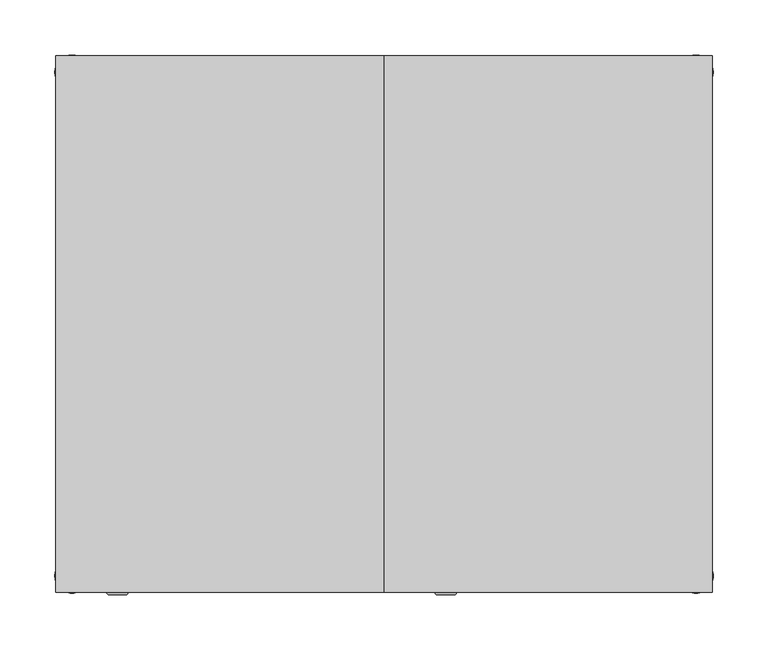
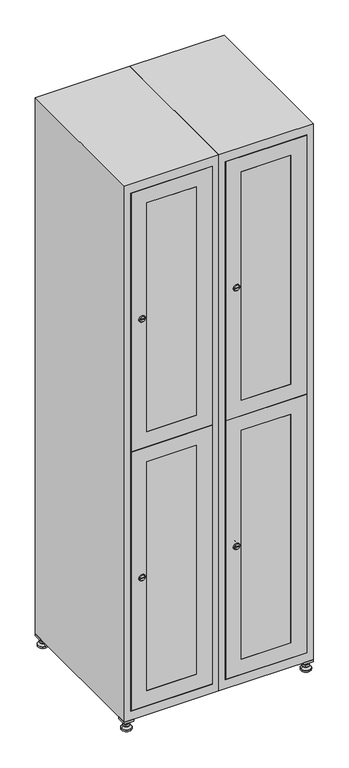
"""IFC4 building model written with IfcOpenShell, lengths in millimetres: furniture geometry."""

from ifc_helpers import new_model, si_unit, point, frame, frame_2d, origin, origin_with_axes, place, context, project, spatial, polyline, circle_curve, trimmed, segment, composite_curve, outline, extrude, faceted_brep, source, transform, mapped, element, save
from ifc_brep_helpers import plane_surface, revolved_surface, advanced_brep


def furniture_dc1e7973(model_context):
    return source(origin(), model_context, "Body", "SolidModel", [
        extrude(outline(polyline([(400.0, 245.0), (400.0, 215.0), (370.0, 215.0), (370.0, 245.0), (400.0, 245.0)]), holes=[polyline([(398.0, 243.0), (372.0, 243.0), (372.0, 217.0), (398.0, 217.0), (398.0, 243.0)])]), frame((0.0, 0.0, 28.5), z_axis=(0.0, 0.0, 1.0), x_axis=(1.0, 0.0, 0.0)), (0.0, 0.0, 1.0), 6.5),
        extrude(outline(polyline([(370.0, -245.0), (370.0, -215.0), (400.0, -215.0), (400.0, -245.0), (370.0, -245.0)]), holes=[polyline([(372.0, -243.0), (398.0, -243.0), (398.0, -217.0), (372.0, -217.0), (372.0, -243.0)])]), frame((0.0, 0.0, 28.5), z_axis=(0.0, 0.0, 1.0), x_axis=(1.0, 0.0, 0.0)), (0.0, 0.0, 1.0), 6.5),
        extrude(outline(polyline([(-170.0, 245.0), (-170.0, 215.0), (-200.0, 215.0), (-200.0, 245.0), (-170.0, 245.0)]), holes=[polyline([(-172.0, 243.0), (-198.0, 243.0), (-198.0, 217.0), (-172.0, 217.0), (-172.0, 243.0)])]), frame((0.0, 0.0, 28.5), z_axis=(0.0, 0.0, 1.0), x_axis=(1.0, 0.0, 0.0)), (0.0, 0.0, 1.0), 6.5),
        extrude(outline(polyline([(-170.0, -215.0), (-170.0, -245.0), (-200.0, -245.0), (-200.0, -215.0), (-170.0, -215.0)]), holes=[polyline([(-198.0, -243.0), (-172.0, -243.0), (-172.0, -217.0), (-198.0, -217.0), (-198.0, -243.0)])]), frame((0.0, 0.0, 28.5), z_axis=(0.0, 0.0, 1.0), x_axis=(1.0, 0.0, 0.0)), (0.0, 0.0, 1.0), 6.5),
        extrude(outline(composite_curve([segment(trimmed(circle_curve(frame_2d((-185.0, 230.0)), 5.0), [point((-180.0, 230.0))], [point((-190.0, 230.0))], False, "CARTESIAN"), True, "CONTINUOUS"), segment(trimmed(circle_curve(frame_2d((-185.0, 230.0)), 5.0), [point((-190.0, 230.0))], [point((-180.0, 230.0))], False, "CARTESIAN"), True, "CONTINUOUS")], self_intersect=False)), frame((0.0, 0.0, 19.6), z_axis=(0.0, 0.0, 1.0), x_axis=(1.0, 0.0, 0.0)), (0.0, 0.0, 1.0), 15.4),
        extrude(outline(composite_curve([segment(trimmed(circle_curve(frame_2d((-185.0, -230.0)), 5.0), [point((-180.0, -230.0))], [point((-190.0, -230.0))], False, "CARTESIAN"), True, "CONTINUOUS"), segment(trimmed(circle_curve(frame_2d((-185.0, -230.0)), 5.0), [point((-190.0, -230.0))], [point((-180.0, -230.0))], False, "CARTESIAN"), True, "CONTINUOUS")], self_intersect=False)), frame((0.0, 0.0, 19.6), z_axis=(0.0, 0.0, 1.0), x_axis=(1.0, 0.0, 0.0)), (0.0, 0.0, 1.0), 15.4),
        extrude(outline(composite_curve([segment(trimmed(circle_curve(frame_2d((385.0, 230.0)), 5.0), [point((390.0, 230.0))], [point((380.0, 230.0))], False, "CARTESIAN"), True, "CONTINUOUS"), segment(trimmed(circle_curve(frame_2d((385.0, 230.0)), 5.0), [point((380.0, 230.0))], [point((390.0, 230.0))], False, "CARTESIAN"), True, "CONTINUOUS")], self_intersect=False)), frame((0.0, 0.0, 19.6), z_axis=(0.0, 0.0, 1.0), x_axis=(1.0, 0.0, 0.0)), (0.0, 0.0, 1.0), 15.4),
        extrude(outline(polyline([(373.4529946, 230.0), (379.2264973, 240.0), (390.7735027, 240.0), (396.5470054, 230.0), (390.7735027, 220.0), (379.2264973, 220.0), (373.4529946, 230.0)])), frame((0.0, 0.0, 13.6), z_axis=(0.0, 0.0, 1.0), x_axis=(1.0, 0.0, 0.0)), (0.0, 0.0, 1.0), 6.0),
        extrude(outline(composite_curve([segment(trimmed(circle_curve(frame_2d((385.0, -230.0)), 5.0), [point((390.0, -230.0))], [point((380.0, -230.0))], False, "CARTESIAN"), True, "CONTINUOUS"), segment(trimmed(circle_curve(frame_2d((385.0, -230.0)), 5.0), [point((380.0, -230.0))], [point((390.0, -230.0))], False, "CARTESIAN"), True, "CONTINUOUS")], self_intersect=False)), frame((0.0, 0.0, 19.6), z_axis=(0.0, 0.0, 1.0), x_axis=(1.0, 0.0, 0.0)), (0.0, 0.0, 1.0), 15.4),
        extrude(outline(polyline([(373.4529946, -230.0), (379.2264973, -220.0), (390.7735027, -220.0), (396.5470054, -230.0), (390.7735027, -240.0), (379.2264973, -240.0), (373.4529946, -230.0)])), frame((0.0, 0.0, 13.6), z_axis=(0.0, 0.0, 1.0), x_axis=(1.0, 0.0, 0.0)), (0.0, 0.0, 1.0), 6.0),
        extrude(outline(composite_curve([segment(trimmed(circle_curve(frame_2d((385.0, 230.0)), 5.0), [point((390.0, 230.0))], [point((380.0, 230.0))], False, "CARTESIAN"), True, "CONTINUOUS"), segment(trimmed(circle_curve(frame_2d((385.0, 230.0)), 5.0), [point((380.0, 230.0))], [point((390.0, 230.0))], False, "CARTESIAN"), True, "CONTINUOUS")], self_intersect=False)), frame((0.0, 0.0, 12.1), z_axis=(0.0, 0.0, 1.0), x_axis=(1.0, 0.0, 0.0)), (0.0, 0.0, 1.0), 1.5),
        extrude(outline(composite_curve([segment(trimmed(circle_curve(frame_2d((385.0, -230.0)), 5.0), [point((390.0, -230.0))], [point((380.0, -230.0))], False, "CARTESIAN"), True, "CONTINUOUS"), segment(trimmed(circle_curve(frame_2d((385.0, -230.0)), 5.0), [point((380.0, -230.0))], [point((390.0, -230.0))], False, "CARTESIAN"), True, "CONTINUOUS")], self_intersect=False)), frame((0.0, 0.0, 12.1), z_axis=(0.0, 0.0, 1.0), x_axis=(1.0, 0.0, 0.0)), (0.0, 0.0, 1.0), 1.5),
        extrude(outline(polyline([(-196.5470054, 230.0), (-190.7735027, 240.0), (-179.2264973, 240.0), (-173.4529946, 230.0), (-179.2264973, 220.0), (-190.7735027, 220.0), (-196.5470054, 230.0)])), frame((0.0, 0.0, 13.6), z_axis=(0.0, 0.0, 1.0), x_axis=(1.0, 0.0, 0.0)), (0.0, 0.0, 1.0), 6.0),
        extrude(outline(polyline([(-196.5470054, -230.0), (-190.7735027, -220.0), (-179.2264973, -220.0), (-173.4529946, -230.0), (-179.2264973, -240.0), (-190.7735027, -240.0), (-196.5470054, -230.0)])), frame((0.0, 0.0, 13.6), z_axis=(0.0, 0.0, 1.0), x_axis=(1.0, 0.0, 0.0)), (0.0, 0.0, 1.0), 6.0),
        extrude(outline(composite_curve([segment(trimmed(circle_curve(frame_2d((-185.0, 230.0)), 5.0), [point((-185.0, 235.0))], [point((-185.0, 225.0))], False, "CARTESIAN"), True, "CONTINUOUS"), segment(trimmed(circle_curve(frame_2d((-185.0, 230.0)), 5.0), [point((-185.0, 225.0))], [point((-185.0, 235.0))], False, "CARTESIAN"), True, "CONTINUOUS")], self_intersect=False)), frame((0.0, 0.0, 12.1), z_axis=(0.0, 0.0, 1.0), x_axis=(1.0, 0.0, 0.0)), (0.0, 0.0, 1.0), 1.5),
        extrude(outline(composite_curve([segment(trimmed(circle_curve(frame_2d((-185.0, -230.0)), 5.0), [point((-180.0, -230.0))], [point((-190.0, -230.0))], False, "CARTESIAN"), True, "CONTINUOUS"), segment(trimmed(circle_curve(frame_2d((-185.0, -230.0)), 5.0), [point((-190.0, -230.0))], [point((-180.0, -230.0))], False, "CARTESIAN"), True, "CONTINUOUS")], self_intersect=False)), frame((0.0, 0.0, 12.1), z_axis=(0.0, 0.0, 1.0), x_axis=(1.0, 0.0, 0.0)), (0.0, 0.0, 1.0), 1.5),
        extrude(outline(composite_curve([segment(trimmed(circle_curve(frame_2d((385.0, 230.0)), 15.75), [point((400.75, 230.0))], [point((369.25, 230.0))], False, "CARTESIAN"), True, "CONTINUOUS"), segment(trimmed(circle_curve(frame_2d((385.0, 230.0)), 15.75), [point((369.25, 230.0))], [point((400.75, 230.0))], False, "CARTESIAN"), True, "CONTINUOUS")], self_intersect=False)), origin_with_axes(), (0.0, 0.0, 1.0), 5.1),
        extrude(outline(composite_curve([segment(trimmed(circle_curve(frame_2d((385.0, -230.0)), 15.75), [point((385.0, -214.25))], [point((385.0, -245.75))], False, "CARTESIAN"), True, "CONTINUOUS"), segment(trimmed(circle_curve(frame_2d((385.0, -230.0)), 15.75), [point((385.0, -245.75))], [point((385.0, -214.25))], False, "CARTESIAN"), True, "CONTINUOUS")], self_intersect=False)), origin_with_axes(), (0.0, 0.0, 1.0), 5.1),
        extrude(outline(composite_curve([segment(trimmed(circle_curve(frame_2d((-185.0, -230.0)), 15.75), [point((-169.25, -230.0))], [point((-200.75, -230.0))], False, "CARTESIAN"), True, "CONTINUOUS"), segment(trimmed(circle_curve(frame_2d((-185.0, -230.0)), 15.75), [point((-200.75, -230.0))], [point((-169.25, -230.0))], False, "CARTESIAN"), True, "CONTINUOUS")], self_intersect=False)), origin_with_axes(), (0.0, 0.0, 1.0), 5.1),
        extrude(outline(composite_curve([segment(trimmed(circle_curve(frame_2d((-185.0, 230.0)), 15.75), [point((-169.25, 230.0))], [point((-200.75, 230.0))], False, "CARTESIAN"), True, "CONTINUOUS"), segment(trimmed(circle_curve(frame_2d((-185.0, 230.0)), 15.75), [point((-200.75, 230.0))], [point((-169.25, 230.0))], False, "CARTESIAN"), True, "CONTINUOUS")], self_intersect=False)), origin_with_axes(), (0.0, 0.0, 1.0), 5.1),
        advanced_brep(
        [(-185.0, 245.75, 5.1), (-185.0, 214.25, 5.1), (-185.0, 239.5, 12.1), (-185.0, 220.5, 12.1)],
        [
            (0, 1, circle_curve(frame((-185.0, 230.0, 5.1), z_axis=(0.0, 0.0, -1.0), x_axis=(0.0, 1.0, 0.0)), 15.75)),
            (1, 0, circle_curve(frame((-185.0, 230.0, 5.1), z_axis=(0.0, 0.0, -1.0), x_axis=(0.0, -1.0, 0.0)), 15.75)),
            (2, 3, circle_curve(frame((-185.0, 230.0, 12.1), z_axis=(0.0, 0.0, 1.0), x_axis=(0.0, -1.0, 0.0)), 9.5)),
            (3, 2, circle_curve(frame((-185.0, 230.0, 12.1), z_axis=(0.0, 0.0, 1.0), x_axis=(0.0, 1.0, 0.0)), 9.5)),
            (3, 1),
            (0, 2),
        ],
        [
            plane_surface(frame((-185.0, 230.0, 5.1), z_axis=(0.0, 0.0, -1.0), x_axis=(1.0, 0.0, 0.0))),
            plane_surface(frame((-185.0, 230.0, 12.1), z_axis=(0.0, 0.0, 1.0), x_axis=(1.0, 0.0, 0.0))),
            revolved_surface(polyline([(-185.0, 220.5, 12.099999999999998), (-185.0, 214.25, 5.099999999999998)]), (-185.0, 230.0, 22.74), (0.0, 0.0, -1.0)),
            revolved_surface(polyline([(-185.0, 239.5, 12.099999999999998), (-185.0, 245.75, 5.099999999999998)]), (-185.0, 230.0, 22.74), (0.0, 0.0, -1.0)),
        ],
        [
            (0, [[1, 2]]),
            (1, [[3, 4]]),
            (2, [[-4, 5, -1, 6]]),
            (3, [[-3, -6, -2, -5]]),
        ],
    ),
        advanced_brep(
        [(385.0, 245.75, 5.1), (385.0, 214.25, 5.1), (385.0, 239.5, 12.1), (385.0, 220.5, 12.1)],
        [
            (0, 1, circle_curve(frame((385.0, 230.0, 5.1), z_axis=(0.0, 0.0, -1.0), x_axis=(0.0, 1.0, 0.0)), 15.75)),
            (1, 0, circle_curve(frame((385.0, 230.0, 5.1), z_axis=(0.0, 0.0, -1.0), x_axis=(0.0, -1.0, 0.0)), 15.75)),
            (2, 3, circle_curve(frame((385.0, 230.0, 12.1), z_axis=(0.0, 0.0, 1.0), x_axis=(0.0, -1.0, 0.0)), 9.5)),
            (3, 2, circle_curve(frame((385.0, 230.0, 12.1), z_axis=(0.0, 0.0, 1.0), x_axis=(0.0, 1.0, 0.0)), 9.5)),
            (3, 1),
            (0, 2),
        ],
        [
            plane_surface(frame((385.0, 230.0, 5.1), z_axis=(0.0, 0.0, -1.0), x_axis=(1.0, 0.0, 0.0))),
            plane_surface(frame((385.0, 230.0, 12.1), z_axis=(0.0, 0.0, 1.0), x_axis=(1.0, 0.0, 0.0))),
            revolved_surface(polyline([(385.0, 220.5, 12.099999999999998), (385.0, 214.25, 5.099999999999998)]), (385.0, 230.0, 22.74), (0.0, 0.0, -1.0)),
            revolved_surface(polyline([(385.0, 239.5, 12.099999999999998), (385.0, 245.75, 5.099999999999998)]), (385.0, 230.0, 22.74), (0.0, 0.0, -1.0)),
        ],
        [
            (0, [[1, 2]]),
            (1, [[3, 4]]),
            (2, [[-4, 5, -1, 6]]),
            (3, [[-3, -6, -2, -5]]),
        ],
    ),
        advanced_brep(
        [(394.5, -230.0, 12.1), (375.5, -230.0, 12.1), (400.75, -230.0, 5.1), (369.25, -230.0, 5.1)],
        [
            (0, 1, circle_curve(frame((385.0, -230.0, 12.1), z_axis=(0.0, 0.0, 1.0), x_axis=(1.0, 0.0, 0.0)), 9.5)),
            (1, 0, circle_curve(frame((385.0, -230.0, 12.1), z_axis=(0.0, 0.0, 1.0), x_axis=(-1.0, 0.0, 0.0)), 9.5)),
            (2, 3, circle_curve(frame((385.0, -230.0, 5.1), z_axis=(0.0, 0.0, -1.0), x_axis=(-1.0, 0.0, 0.0)), 15.75)),
            (3, 2, circle_curve(frame((385.0, -230.0, 5.1), z_axis=(0.0, 0.0, -1.0), x_axis=(1.0, 0.0, 0.0)), 15.75)),
            (3, 1),
            (0, 2),
        ],
        [
            plane_surface(frame((385.0, -230.0, 12.1), z_axis=(0.0, 0.0, 1.0), x_axis=(0.0, 1.0, 0.0))),
            plane_surface(frame((385.0, -230.0, 5.1), z_axis=(0.0, 0.0, -1.0), x_axis=(0.0, 1.0, 0.0))),
            revolved_surface(polyline([(394.5, -230.0, 12.099999999999998), (400.75, -230.0, 5.099999999999998)]), (385.0, -230.0, 22.74), (0.0, 0.0, -1.0)),
            revolved_surface(polyline([(375.5, -230.0, 12.099999999999998), (369.25, -230.0, 5.099999999999998)]), (385.0, -230.0, 22.74), (0.0, 0.0, -1.0)),
        ],
        [
            (0, [[1, 2]]),
            (1, [[3, 4]]),
            (2, [[-4, 5, -1, 6]]),
            (3, [[-3, -6, -2, -5]]),
        ],
    ),
        advanced_brep(
        [(-175.5, -230.0, 12.1), (-194.5, -230.0, 12.1), (-169.25, -230.0, 5.1), (-200.75, -230.0, 5.1)],
        [
            (0, 1, circle_curve(frame((-185.0, -230.0, 12.1), z_axis=(0.0, 0.0, 1.0), x_axis=(1.0, 0.0, 0.0)), 9.5)),
            (1, 0, circle_curve(frame((-185.0, -230.0, 12.1), z_axis=(0.0, 0.0, 1.0), x_axis=(-1.0, 0.0, 0.0)), 9.5)),
            (2, 3, circle_curve(frame((-185.0, -230.0, 5.1), z_axis=(0.0, 0.0, -1.0), x_axis=(-1.0, 0.0, 0.0)), 15.75)),
            (3, 2, circle_curve(frame((-185.0, -230.0, 5.1), z_axis=(0.0, 0.0, -1.0), x_axis=(1.0, 0.0, 0.0)), 15.75)),
            (3, 1),
            (0, 2),
        ],
        [
            plane_surface(frame((-185.0, -230.0, 12.1), z_axis=(0.0, 0.0, 1.0), x_axis=(0.0, 1.0, 0.0))),
            plane_surface(frame((-185.0, -230.0, 5.1), z_axis=(0.0, 0.0, -1.0), x_axis=(0.0, 1.0, 0.0))),
            revolved_surface(polyline([(-175.5, -230.0, 12.099999999999998), (-169.25, -230.0, 5.099999999999998)]), (-185.0, -230.0, 22.74), (0.0, 0.0, -1.0)),
            revolved_surface(polyline([(-194.5, -230.0, 12.099999999999998), (-200.75, -230.0, 5.099999999999998)]), (-185.0, -230.0, 22.74), (0.0, 0.0, -1.0)),
        ],
        [
            (0, [[1, 2]]),
            (1, [[3, 4]]),
            (2, [[-4, 5, -1, 6]]),
            (3, [[-3, -6, -2, -5]]),
        ],
    ),
        extrude(outline(composite_curve([segment(trimmed(circle_curve(frame_2d((1369.4, 129.6010534)), 7.0), [point((1376.4, 129.6010534))], [point((1362.4, 129.6010534))], False, "CARTESIAN"), True, "CONTINUOUS"), segment(polyline([(1362.4, 129.6010534), (1362.4, 157.6010534)]), True, "CONTINUOUS"), segment(trimmed(circle_curve(frame_2d((1369.4, 157.6010534)), 7.0), [point((1362.4, 157.6010534))], [point((1376.4, 157.6010534))], False, "CARTESIAN"), True, "CONTINUOUS"), segment(polyline([(1376.4, 157.6010534), (1376.4, 129.6010534)]), True, "CONTINUOUS")], self_intersect=False)), frame((0.0, -227.0, 0.0), z_axis=(0.0, 1.0, 0.0), x_axis=(0.0, 0.0, 1.0)), (0.0, 0.0, 1.0), 2.0),
        advanced_brep(
        [(164.9, -247.2, 1369.4), (147.9, -247.2, 1369.4), (151.4, -247.2, 1368.15), (151.4, -247.2, 1370.65), (161.4, -247.2, 1370.65), (161.4, -247.2, 1368.15), (166.9, -245.0, 1369.4), (145.9, -245.0, 1369.4), (151.4, -245.0, 1370.65), (151.4, -245.0, 1368.15), (161.4, -245.0, 1368.15), (161.4, -245.0, 1370.65)],
        [
            (0, 1, circle_curve(frame((156.4, -247.2, 1369.4), z_axis=(0.0, -1.0, 0.0), x_axis=(1.0, 0.0, 0.0)), 8.5)),
            (1, 0, circle_curve(frame((156.4, -247.2, 1369.4), z_axis=(0.0, -1.0, 0.0), x_axis=(-1.0, 0.0, 0.0)), 8.5)),
            (2, 3),
            (3, 4),
            (4, 5),
            (5, 2),
            (6, 7, circle_curve(frame((156.4, -245.0, 1369.4), z_axis=(0.0, 1.0, 0.0), x_axis=(-1.0, 0.0, 0.0)), 10.5)),
            (7, 6, circle_curve(frame((156.4, -245.0, 1369.4), z_axis=(0.0, 1.0, 0.0), x_axis=(1.0, 0.0, 0.0)), 10.5)),
            (8, 9),
            (9, 10),
            (10, 11),
            (11, 8),
            (0, 6),
            (7, 1),
            (8, 3),
            (2, 9),
            (11, 4),
            (10, 5),
        ],
        [
            plane_surface(frame((156.4, -247.2, 1369.4), z_axis=(0.0, -1.0, 0.0), x_axis=(0.0, 0.0, 1.0))),
            plane_surface(frame((156.4, -245.0, 1369.4), z_axis=(0.0, 1.0, 0.0), x_axis=(0.0, 0.0, 1.0))),
            revolved_surface(polyline([(164.9, -247.2, 1369.4), (166.9, -245.0, 1369.4)]), (156.4, -256.55, 1369.4), (0.0, 1.0, 0.0)),
            revolved_surface(polyline([(147.9, -247.2, 1369.4), (145.9, -245.0, 1369.4)]), (156.4, -256.55, 1369.4), (0.0, 1.0, 0.0)),
            plane_surface(frame((151.4, -245.0, 1368.15), z_axis=(1.0, 0.0, 0.0), x_axis=(0.0, -1.0, 0.0))),
            plane_surface(frame((151.4, -245.0, 1370.65), z_axis=(0.0, 0.0, -1.0), x_axis=(0.0, -1.0, 0.0))),
            plane_surface(frame((161.4, -245.0, 1370.65), z_axis=(-1.0, 0.0, 0.0), x_axis=(0.0, -1.0, 0.0))),
            plane_surface(frame((161.4, -245.0, 1368.15), z_axis=(0.0, 0.0, 1.0), x_axis=(0.0, -1.0, 0.0))),
        ],
        [
            (0, [[1, 2], [3, 4, 5, 6]]),
            (1, [[7, 8], [9, 10, 11, 12]]),
            (2, [[-1, 13, -8, 14]]),
            (3, [[-2, -14, -7, -13]]),
            (4, [[15, -3, 16, -9]]),
            (5, [[-15, -12, 17, -4]]),
            (6, [[-17, -11, 18, -5]]),
            (7, [[-16, -6, -18, -10]]),
        ],
    ),
        extrude(outline(composite_curve([segment(trimmed(circle_curve(frame_2d((500.6, 129.6010534)), 7.0), [point((507.6, 129.6010534))], [point((493.6, 129.6010534))], False, "CARTESIAN"), True, "CONTINUOUS"), segment(polyline([(493.6, 129.6010534), (493.6, 157.6010534)]), True, "CONTINUOUS"), segment(trimmed(circle_curve(frame_2d((500.6, 157.6010534)), 7.0), [point((493.6, 157.6010534))], [point((507.6, 157.6010534))], False, "CARTESIAN"), True, "CONTINUOUS"), segment(polyline([(507.6, 157.6010534), (507.6, 129.6010534)]), True, "CONTINUOUS")], self_intersect=False)), frame((0.0, -227.0, 0.0), z_axis=(0.0, 1.0, 0.0), x_axis=(0.0, 0.0, 1.0)), (0.0, 0.0, 1.0), 2.0),
        advanced_brep(
        [(164.9, -247.2, 500.6), (147.9, -247.2, 500.6), (151.4, -247.2, 499.35), (151.4, -247.2, 501.85), (161.4, -247.2, 501.85), (161.4, -247.2, 499.35), (166.9, -245.0, 500.6), (145.9, -245.0, 500.6), (151.4, -245.0, 501.85), (151.4, -245.0, 499.35), (161.4, -245.0, 499.35), (161.4, -245.0, 501.85)],
        [
            (0, 1, circle_curve(frame((156.4, -247.2, 500.6), z_axis=(0.0, -1.0, 0.0), x_axis=(1.0, 0.0, 0.0)), 8.5)),
            (1, 0, circle_curve(frame((156.4, -247.2, 500.6), z_axis=(0.0, -1.0, 0.0), x_axis=(-1.0, 0.0, 0.0)), 8.5)),
            (2, 3),
            (3, 4),
            (4, 5),
            (5, 2),
            (6, 7, circle_curve(frame((156.4, -245.0, 500.6), z_axis=(0.0, 1.0, 0.0), x_axis=(-1.0, 0.0, 0.0)), 10.5)),
            (7, 6, circle_curve(frame((156.4, -245.0, 500.6), z_axis=(0.0, 1.0, 0.0), x_axis=(1.0, 0.0, 0.0)), 10.5)),
            (8, 9),
            (9, 10),
            (10, 11),
            (11, 8),
            (0, 6),
            (7, 1),
            (8, 3),
            (2, 9),
            (11, 4),
            (10, 5),
        ],
        [
            plane_surface(frame((156.4, -247.2, 500.6), z_axis=(0.0, -1.0, 0.0), x_axis=(0.0, 0.0, 1.0))),
            plane_surface(frame((156.4, -245.0, 500.6), z_axis=(0.0, 1.0, 0.0), x_axis=(0.0, 0.0, 1.0))),
            revolved_surface(polyline([(164.9, -247.2, 500.6), (166.9, -245.0, 500.6)]), (156.4, -256.55, 500.6), (0.0, 1.0, 0.0)),
            revolved_surface(polyline([(147.9, -247.2, 500.6), (145.9, -245.0, 500.6)]), (156.4, -256.55, 500.6), (0.0, 1.0, 0.0)),
            plane_surface(frame((151.4, -245.0, 499.35), z_axis=(1.0, 0.0, 0.0), x_axis=(0.0, -1.0, 0.0))),
            plane_surface(frame((151.4, -245.0, 501.85), z_axis=(0.0, 0.0, -1.0), x_axis=(0.0, -1.0, 0.0))),
            plane_surface(frame((161.4, -245.0, 501.85), z_axis=(-1.0, 0.0, 0.0), x_axis=(0.0, -1.0, 0.0))),
            plane_surface(frame((161.4, -245.0, 499.35), z_axis=(0.0, 0.0, 1.0), x_axis=(0.0, -1.0, 0.0))),
        ],
        [
            (0, [[1, 2], [3, 4, 5, 6]]),
            (1, [[7, 8], [9, 10, 11, 12]]),
            (2, [[-1, 13, -8, 14]]),
            (3, [[-2, -14, -7, -13]]),
            (4, [[15, -3, 16, -9]]),
            (5, [[-15, -12, 17, -4]]),
            (6, [[-17, -11, 18, -5]]),
            (7, [[-16, -6, -18, -10]]),
        ],
    ),
        extrude(outline(polyline([(935.5, 378.6), (1803.8, 378.6), (1803.8, 121.4), (935.5, 121.4), (935.5, 378.6)]), holes=[polyline([(1753.8, 171.4), (1753.8, 328.6), (985.5, 328.6), (985.5, 171.4), (1753.8, 171.4)])]), frame((0.0, -245.0, 0.0), z_axis=(0.0, 1.0, 0.0), x_axis=(0.0, 0.0, 1.0)), (0.0, 0.0, 1.0), 18.0),
        extrude(outline(polyline([(934.5, 121.4), (66.2, 121.4), (66.2, 378.6), (934.5, 378.6), (934.5, 121.4)]), holes=[polyline([(116.2, 171.4), (884.5, 171.4), (884.5, 328.6), (116.2, 328.6), (116.2, 171.4)])]), frame((0.0, -245.0, 0.0), z_axis=(0.0, 1.0, 0.0), x_axis=(0.0, 0.0, 1.0)), (0.0, 0.0, 1.0), 18.0),
        extrude(outline(polyline([(328.6, -245.0), (171.4, -245.0), (171.4, -227.0), (328.6, -227.0), (328.6, -245.0)])), frame((0.0, 0.0, 985.5), z_axis=(0.0, 0.0, 1.0), x_axis=(1.0, 0.0, 0.0)), (0.0, 0.0, 1.0), 768.3),
        extrude(outline(polyline([(328.6, -245.0), (171.4, -245.0), (171.4, -227.0), (328.6, -227.0), (328.6, -245.0)])), frame((0.0, 0.0, 116.2), z_axis=(0.0, 0.0, 1.0), x_axis=(1.0, 0.0, 0.0)), (0.0, 0.0, 1.0), 768.3),
        extrude(outline(polyline([(379.6, 242.0), (379.6, -227.0), (120.4, -227.0), (120.4, 242.0), (379.6, 242.0)])), frame((0.0, 0.0, 924.8), z_axis=(0.0, 0.0, 1.0), x_axis=(1.0, 0.0, 0.0)), (0.0, 0.0, 1.0), 20.4),
        faceted_brep([(400.0, -245.0, 35.0), (400.0, -245.0, 1835.0), (100.0, -245.0, 1835.0), (100.0, -245.0, 35.0), (379.6, -245.0, 1804.8), (379.6, -245.0, 65.2), (120.4, -245.0, 65.2), (120.4, -245.0, 1804.8), (400.0, 245.0, 35.0), (100.0, 245.0, 35.0), (400.0, 245.0, 1835.0), (100.0, 245.0, 1835.0), (379.6, 242.0, 1804.8), (379.6, 242.0, 65.2), (100.0, 245.0, 1804.8), (120.4, 242.0, 1804.8), (120.4, 242.0, 65.2)], [[[0, 1, 2, 3], [4, 5, 6, 7]], [[8, 0, 3, 9]], [[1, 0, 8, 10]], [[1, 10, 11, 2]], [[4, 12, 13, 5]], [[9, 3, 2, 11, 14]], [[10, 8, 9, 14, 11]], [[12, 15, 16, 13]], [[15, 7, 6, 16]], [[4, 7, 15, 12]], [[6, 5, 13, 16]]]),
        extrude(outline(composite_curve([segment(trimmed(circle_curve(frame_2d((1369.4, -170.3989466)), 7.0), [point((1376.4, -170.3989466))], [point((1362.4, -170.3989466))], False, "CARTESIAN"), True, "CONTINUOUS"), segment(polyline([(1362.4, -170.3989466), (1362.4, -142.3989466)]), True, "CONTINUOUS"), segment(trimmed(circle_curve(frame_2d((1369.4, -142.3989466)), 7.0), [point((1362.4, -142.3989466))], [point((1376.4, -142.3989466))], False, "CARTESIAN"), True, "CONTINUOUS"), segment(polyline([(1376.4, -142.3989466), (1376.4, -170.3989466)]), True, "CONTINUOUS")], self_intersect=False)), frame((0.0, -227.0, 0.0), z_axis=(0.0, 1.0, 0.0), x_axis=(0.0, 0.0, 1.0)), (0.0, 0.0, 1.0), 2.0),
        advanced_brep(
        [(-135.1, -247.2, 1369.4), (-152.1, -247.2, 1369.4), (-148.6, -247.2, 1368.15), (-148.6, -247.2, 1370.65), (-138.6, -247.2, 1370.65), (-138.6, -247.2, 1368.15), (-133.1, -245.0, 1369.4), (-154.1, -245.0, 1369.4), (-148.6, -245.0, 1370.65), (-148.6, -245.0, 1368.15), (-138.6, -245.0, 1368.15), (-138.6, -245.0, 1370.65)],
        [
            (0, 1, circle_curve(frame((-143.6, -247.2, 1369.4), z_axis=(0.0, -1.0, 0.0), x_axis=(1.0, 0.0, 0.0)), 8.5)),
            (1, 0, circle_curve(frame((-143.6, -247.2, 1369.4), z_axis=(0.0, -1.0, 0.0), x_axis=(-1.0, 0.0, 0.0)), 8.5)),
            (2, 3),
            (3, 4),
            (4, 5),
            (5, 2),
            (6, 7, circle_curve(frame((-143.6, -245.0, 1369.4), z_axis=(0.0, 1.0, 0.0), x_axis=(-1.0, 0.0, 0.0)), 10.5)),
            (7, 6, circle_curve(frame((-143.6, -245.0, 1369.4), z_axis=(0.0, 1.0, 0.0), x_axis=(1.0, 0.0, 0.0)), 10.5)),
            (8, 9),
            (9, 10),
            (10, 11),
            (11, 8),
            (0, 6),
            (7, 1),
            (8, 3),
            (2, 9),
            (11, 4),
            (10, 5),
        ],
        [
            plane_surface(frame((-143.6, -247.2, 1369.4), z_axis=(0.0, -1.0, 0.0), x_axis=(0.0, 0.0, 1.0))),
            plane_surface(frame((-143.6, -245.0, 1369.4), z_axis=(0.0, 1.0, 0.0), x_axis=(0.0, 0.0, 1.0))),
            revolved_surface(polyline([(-135.1, -247.2, 1369.4), (-133.1, -245.0, 1369.4)]), (-143.6, -256.55, 1369.4), (0.0, 1.0, 0.0)),
            revolved_surface(polyline([(-152.1, -247.2, 1369.4), (-154.1, -245.0, 1369.4)]), (-143.6, -256.55, 1369.4), (0.0, 1.0, 0.0)),
            plane_surface(frame((-148.6, -245.0, 1368.15), z_axis=(1.0, 0.0, 0.0), x_axis=(0.0, -1.0, 0.0))),
            plane_surface(frame((-148.6, -245.0, 1370.65), z_axis=(0.0, 0.0, -1.0), x_axis=(0.0, -1.0, 0.0))),
            plane_surface(frame((-138.6, -245.0, 1370.65), z_axis=(-1.0, 0.0, 0.0), x_axis=(0.0, -1.0, 0.0))),
            plane_surface(frame((-138.6, -245.0, 1368.15), z_axis=(0.0, 0.0, 1.0), x_axis=(0.0, -1.0, 0.0))),
        ],
        [
            (0, [[1, 2], [3, 4, 5, 6]]),
            (1, [[7, 8], [9, 10, 11, 12]]),
            (2, [[-1, 13, -8, 14]]),
            (3, [[-2, -14, -7, -13]]),
            (4, [[15, -3, 16, -9]]),
            (5, [[-15, -12, 17, -4]]),
            (6, [[-17, -11, 18, -5]]),
            (7, [[-16, -6, -18, -10]]),
        ],
    ),
        extrude(outline(composite_curve([segment(trimmed(circle_curve(frame_2d((500.6, -170.3989466)), 7.0), [point((507.6, -170.3989466))], [point((493.6, -170.3989466))], False, "CARTESIAN"), True, "CONTINUOUS"), segment(polyline([(493.6, -170.3989466), (493.6, -142.3989466)]), True, "CONTINUOUS"), segment(trimmed(circle_curve(frame_2d((500.6, -142.3989466)), 7.0), [point((493.6, -142.3989466))], [point((507.6, -142.3989466))], False, "CARTESIAN"), True, "CONTINUOUS"), segment(polyline([(507.6, -142.3989466), (507.6, -170.3989466)]), True, "CONTINUOUS")], self_intersect=False)), frame((0.0, -227.0, 0.0), z_axis=(0.0, 1.0, 0.0), x_axis=(0.0, 0.0, 1.0)), (0.0, 0.0, 1.0), 2.0),
        advanced_brep(
        [(-135.1, -247.2, 500.6), (-152.1, -247.2, 500.6), (-148.6, -247.2, 499.35), (-148.6, -247.2, 501.85), (-138.6, -247.2, 501.85), (-138.6, -247.2, 499.35), (-133.1, -245.0, 500.6), (-154.1, -245.0, 500.6), (-148.6, -245.0, 501.85), (-148.6, -245.0, 499.35), (-138.6, -245.0, 499.35), (-138.6, -245.0, 501.85)],
        [
            (0, 1, circle_curve(frame((-143.6, -247.2, 500.6), z_axis=(0.0, -1.0, 0.0), x_axis=(1.0, 0.0, 0.0)), 8.5)),
            (1, 0, circle_curve(frame((-143.6, -247.2, 500.6), z_axis=(0.0, -1.0, 0.0), x_axis=(-1.0, 0.0, 0.0)), 8.5)),
            (2, 3),
            (3, 4),
            (4, 5),
            (5, 2),
            (6, 7, circle_curve(frame((-143.6, -245.0, 500.6), z_axis=(0.0, 1.0, 0.0), x_axis=(-1.0, 0.0, 0.0)), 10.5)),
            (7, 6, circle_curve(frame((-143.6, -245.0, 500.6), z_axis=(0.0, 1.0, 0.0), x_axis=(1.0, 0.0, 0.0)), 10.5)),
            (8, 9),
            (9, 10),
            (10, 11),
            (11, 8),
            (0, 6),
            (7, 1),
            (8, 3),
            (2, 9),
            (11, 4),
            (10, 5),
        ],
        [
            plane_surface(frame((-143.6, -247.2, 500.6), z_axis=(0.0, -1.0, 0.0), x_axis=(0.0, 0.0, 1.0))),
            plane_surface(frame((-143.6, -245.0, 500.6), z_axis=(0.0, 1.0, 0.0), x_axis=(0.0, 0.0, 1.0))),
            revolved_surface(polyline([(-135.1, -247.2, 500.6), (-133.1, -245.0, 500.6)]), (-143.6, -256.55, 500.6), (0.0, 1.0, 0.0)),
            revolved_surface(polyline([(-152.1, -247.2, 500.6), (-154.1, -245.0, 500.6)]), (-143.6, -256.55, 500.6), (0.0, 1.0, 0.0)),
            plane_surface(frame((-148.6, -245.0, 499.35), z_axis=(1.0, 0.0, 0.0), x_axis=(0.0, -1.0, 0.0))),
            plane_surface(frame((-148.6, -245.0, 501.85), z_axis=(0.0, 0.0, -1.0), x_axis=(0.0, -1.0, 0.0))),
            plane_surface(frame((-138.6, -245.0, 501.85), z_axis=(-1.0, 0.0, 0.0), x_axis=(0.0, -1.0, 0.0))),
            plane_surface(frame((-138.6, -245.0, 499.35), z_axis=(0.0, 0.0, 1.0), x_axis=(0.0, -1.0, 0.0))),
        ],
        [
            (0, [[1, 2], [3, 4, 5, 6]]),
            (1, [[7, 8], [9, 10, 11, 12]]),
            (2, [[-1, 13, -8, 14]]),
            (3, [[-2, -14, -7, -13]]),
            (4, [[15, -3, 16, -9]]),
            (5, [[-15, -12, 17, -4]]),
            (6, [[-17, -11, 18, -5]]),
            (7, [[-16, -6, -18, -10]]),
        ],
    ),
        extrude(outline(polyline([(935.5, 78.6), (1803.8, 78.6), (1803.8, -178.6), (935.5, -178.6), (935.5, 78.6)]), holes=[polyline([(1753.8, -128.6), (1753.8, 28.6), (985.5, 28.6), (985.5, -128.6), (1753.8, -128.6)])]), frame((0.0, -245.0, 0.0), z_axis=(0.0, 1.0, 0.0), x_axis=(0.0, 0.0, 1.0)), (0.0, 0.0, 1.0), 18.0),
        extrude(outline(polyline([(934.5, -178.6), (66.2, -178.6), (66.2, 78.6), (934.5, 78.6), (934.5, -178.6)]), holes=[polyline([(116.2, -128.6), (884.5, -128.6), (884.5, 28.6), (116.2, 28.6), (116.2, -128.6)])]), frame((0.0, -245.0, 0.0), z_axis=(0.0, 1.0, 0.0), x_axis=(0.0, 0.0, 1.0)), (0.0, 0.0, 1.0), 18.0),
        extrude(outline(polyline([(28.6, -245.0), (-128.6, -245.0), (-128.6, -227.0), (28.6, -227.0), (28.6, -245.0)])), frame((0.0, 0.0, 985.5), z_axis=(0.0, 0.0, 1.0), x_axis=(1.0, 0.0, 0.0)), (0.0, 0.0, 1.0), 768.3),
        extrude(outline(polyline([(28.6, -245.0), (-128.6, -245.0), (-128.6, -227.0), (28.6, -227.0), (28.6, -245.0)])), frame((0.0, 0.0, 116.2), z_axis=(0.0, 0.0, 1.0), x_axis=(1.0, 0.0, 0.0)), (0.0, 0.0, 1.0), 768.3),
        extrude(outline(polyline([(79.6, 242.0), (79.6, -227.0), (-179.6, -227.0), (-179.6, 242.0), (79.6, 242.0)])), frame((0.0, 0.0, 924.8), z_axis=(0.0, 0.0, 1.0), x_axis=(1.0, 0.0, 0.0)), (0.0, 0.0, 1.0), 20.4),
        faceted_brep([(100.0, -245.0, 35.0), (100.0, -245.0, 1835.0), (-200.0, -245.0, 1835.0), (-200.0, -245.0, 35.0), (79.6, -245.0, 1804.8), (79.6, -245.0, 65.2), (-179.6, -245.0, 65.2), (-179.6, -245.0, 1804.8), (100.0, 245.0, 35.0), (-200.0, 245.0, 35.0), (100.0, 245.0, 1835.0), (-200.0, 245.0, 1835.0), (79.6, 242.0, 1804.8), (79.6, 242.0, 65.2), (-200.0, 245.0, 1804.8), (-179.6, 242.0, 1804.8), (-179.6, 242.0, 65.2)], [[[0, 1, 2, 3], [4, 5, 6, 7]], [[8, 0, 3, 9]], [[1, 0, 8, 10]], [[1, 10, 11, 2]], [[4, 12, 13, 5]], [[9, 3, 2, 11, 14]], [[10, 8, 9, 14, 11]], [[12, 15, 16, 13]], [[15, 7, 6, 16]], [[4, 7, 15, 12]], [[6, 5, 13, 16]]]),
    ])


if __name__ == "__main__":
    model = new_model("IFC4")
    model_context = context("Model", 3, world=origin())
    ifc_project = project(units=[si_unit("LENGTHUNIT", "METRE", prefix="MILLI")], contexts=[model_context])
    site = spatial("IfcSite", under=ifc_project)
    building = spatial("IfcBuilding", under=site)
    placement = place(None, origin())
    furniture_shape = furniture_dc1e7973(model_context)
    element("IfcFurniture", 1, at=placement, inside=building, context=model_context, shape_type="MappedRepresentation", body=[
        mapped(furniture_shape, transform((0.0, 0.0, 0.0), x_axis=(1.0, 0.0, 0.0), y_axis=(0.0, 1.0, 0.0), z_axis=(0.0, 0.0, 1.0))),
    ])
    save(model, "model.ifc")
